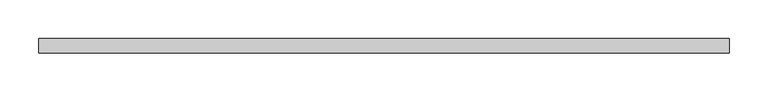
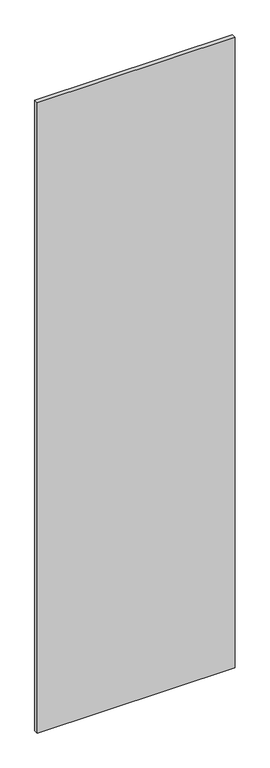
"""IFC4 building model written with IfcOpenShell, lengths in millimetres: proxy geometry."""

from ifc_helpers import new_model, si_unit, frame, origin, place, context, project, spatial, polyline, outline, extrude, source, transform, mapped, element, save


def specialty_equipment_8095f2f2(model_context):
    return source(origin(), model_context, "Body", "SweptSolid", [
        extrude(outline(polyline([(447.1094443, 9.525), (447.1094443, -9.525), (-447.1094443, -9.525), (-447.1094443, 9.525), (447.1094443, 9.525)])), frame((0.0, 0.0, 3.175), z_axis=(0.0, 0.0, 1.0), x_axis=(1.0, 0.0, 0.0)), (0.0, 0.0, 1.0), 3013.075),
    ])


if __name__ == "__main__":
    model = new_model("IFC4")
    model_context = context("Model", 3, world=origin())
    ifc_project = project(units=[si_unit("LENGTHUNIT", "METRE", prefix="MILLI")], contexts=[model_context])
    site = spatial("IfcSite", under=ifc_project)
    building = spatial("IfcBuilding", under=site)
    placement = place(None, origin())
    specialty_equipment_shape = specialty_equipment_8095f2f2(model_context)
    element("IfcBuildingElementProxy", 1, Name="Specialty Equipment", at=placement, inside=building, context=model_context, shape_type="MappedRepresentation", body=[
        mapped(specialty_equipment_shape, transform((0.0, 0.0, 0.0), x_axis=(1.0, 0.0, 0.0), y_axis=(0.0, 1.0, 0.0), z_axis=(0.0, 0.0, 1.0))),
    ])
    save(model, "model.ifc")
